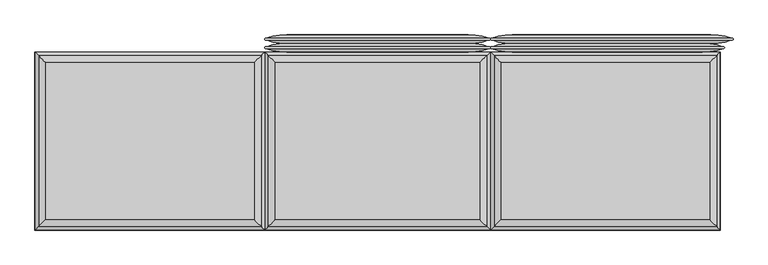
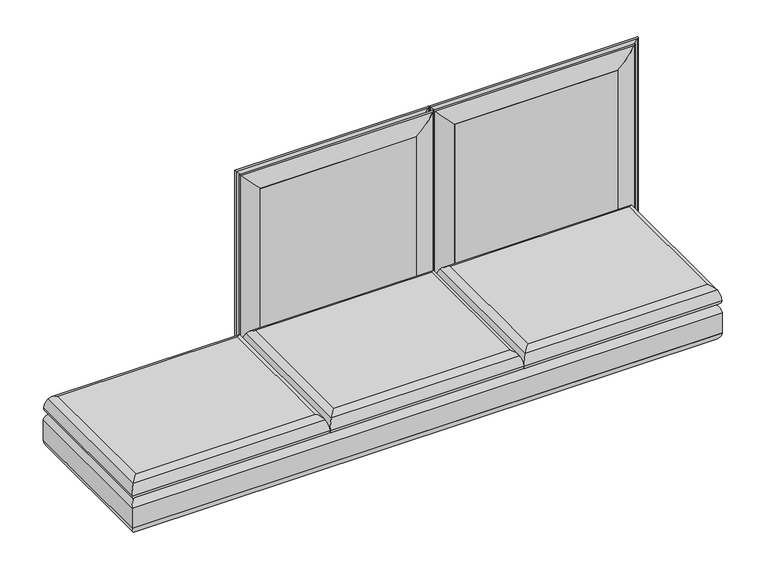
"""IFC4 building model written with IfcOpenShell, lengths in millimetres: furniture geometry."""

from ifc_helpers import new_model, si_unit, frame, origin, place, context, project, spatial, polyline, ellipse_curve, outline, extrude, source, transform, mapped, element, save
from ifc_brep_helpers import plane_surface, cylinder_surface, advanced_brep


def furniture_0c3e7efb(model_context):
    return source(origin(), model_context, "Body", "SolidModel", [
        advanced_brep(
        [(1504.95, -403.225, 329.9006118), (1504.95, 352.425, 329.9006118), (-1504.95, 352.425, 329.9006118), (-1504.95, -403.225, 329.9006118), (1504.95, 352.425, 142.5756118), (1504.95, -403.225, 142.5756118), (-1504.95, -403.225, 142.5756118), (-1504.95, 352.425, 142.5756118), (1523.9861528, 371.4611528, 291.910987), (1523.9861528, -422.2611528, 291.910987), (1524.0, 371.475, 181.4038342), (1524.0, 371.475, 291.0723894), (1524.0, -422.275, 291.0723894), (1524.0, -422.275, 181.4038342), (1523.9861528, 371.4611528, 180.5652366), (1523.9861528, -422.2611528, 180.5652366), (-1523.9861528, -422.2611528, 291.910987), (-1524.0, -422.275, 291.0723894), (-1524.0, -422.275, 181.4038342), (-1523.9861528, -422.2611528, 180.5652366), (-1523.9861528, 371.4611528, 291.910987), (-1524.0, 371.475, 291.0723894), (-1524.0, 371.475, 181.4038342), (-1523.9861528, 371.4611528, 180.5652366)],
        [
            (0, 1),
            (1, 2),
            (2, 3),
            (3, 0),
            (4, 5),
            (5, 6),
            (6, 7),
            (7, 4),
            (8, 1, ellipse_curve(frame((1473.2138472, 320.6888472, 290.2337918), z_axis=(0.7071067811865475, -0.7071067811865475, 0.0), x_axis=(0.7071067811865474, 0.7071067811865476, 0.0)), 71.842049, 50.8)),
            (0, 9, ellipse_curve(frame((1473.2138472, -371.4888472, 290.2337918), z_axis=(0.7071067811865475, 0.7071067811865475, 0.0), x_axis=(-0.7071067811865474, 0.7071067811865476, 0.0)), 71.842049, 50.8)),
            (9, 8),
            (10, 11),
            (11, 12),
            (12, 13),
            (13, 10),
            (4, 14, ellipse_curve(frame((1473.2138472, 320.6888472, 182.2424317), z_axis=(0.7071067811865475, -0.7071067811865475, 0.0), x_axis=(0.7071067811865474, 0.7071067811865476, 0.0)), 71.842049, 50.8)),
            (14, 15),
            (15, 5, ellipse_curve(frame((1473.2138472, -371.4888472, 182.2424317), z_axis=(0.7071067811865475, 0.7071067811865475, 0.0), x_axis=(-0.7071067811865474, 0.7071067811865476, 0.0)), 71.842049, 50.8)),
            (3, 16, ellipse_curve(frame((-1473.2138472, -371.4888472, 290.2337918), z_axis=(0.7071067811865475, -0.7071067811865475, 0.0), x_axis=(0.7071067811865476, 0.7071067811865474, 0.0)), 71.842049, 50.8)),
            (16, 9),
            (12, 17),
            (17, 18),
            (18, 13),
            (15, 19),
            (19, 6, ellipse_curve(frame((-1473.2138472, -371.4888472, 182.2424317), z_axis=(0.7071067811865475, -0.7071067811865475, 0.0), x_axis=(0.7071067811865476, 0.7071067811865474, 0.0)), 71.842049, 50.8)),
            (2, 20, ellipse_curve(frame((-1473.2138472, 320.6888472, 290.2337918), z_axis=(-0.7071067811865475, -0.7071067811865475, 0.0), x_axis=(0.7071067811865474, -0.7071067811865476, 0.0)), 71.842049, 50.8)),
            (20, 16),
            (17, 21),
            (21, 22),
            (22, 18),
            (19, 23),
            (23, 7, ellipse_curve(frame((-1473.2138472, 320.6888472, 182.2424317), z_axis=(-0.7071067811865475, -0.7071067811865475, 0.0), x_axis=(0.7071067811865474, -0.7071067811865476, 0.0)), 71.842049, 50.8)),
            (8, 20),
            (10, 22),
            (21, 11),
            (23, 14),
            (9, 12, ellipse_curve(frame((1498.6, -396.875, 291.0723894), z_axis=(0.7071067811865475, 0.7071067811865475, 0.0), x_axis=(-0.7071067811865474, 0.7071067811865476, 0.0)), 35.9210245, 25.4)),
            (11, 8, ellipse_curve(frame((1498.6, 346.075, 291.0723894), z_axis=(0.7071067811865475, -0.7071067811865475, 0.0), x_axis=(0.7071067811865474, 0.7071067811865476, 0.0)), 35.9210245, 25.4)),
            (13, 15, ellipse_curve(frame((1498.6, -396.875, 181.4038342), z_axis=(0.7071067811865475, 0.7071067811865475, 0.0), x_axis=(-0.7071067811865474, 0.7071067811865476, 0.0)), 35.9210245, 25.4)),
            (14, 10, ellipse_curve(frame((1498.6, 346.075, 181.4038342), z_axis=(0.7071067811865475, -0.7071067811865475, 0.0), x_axis=(0.7071067811865474, 0.7071067811865476, 0.0)), 35.9210245, 25.4)),
            (16, 17, ellipse_curve(frame((-1498.6, -396.875, 291.0723894), z_axis=(0.7071067811865475, -0.7071067811865475, 0.0), x_axis=(0.7071067811865476, 0.7071067811865474, 0.0)), 35.9210245, 25.4)),
            (18, 19, ellipse_curve(frame((-1498.6, -396.875, 181.4038342), z_axis=(0.7071067811865475, -0.7071067811865475, 0.0), x_axis=(0.7071067811865476, 0.7071067811865474, 0.0)), 35.9210245, 25.4)),
            (20, 21, ellipse_curve(frame((-1498.6, 346.075, 291.0723894), z_axis=(-0.7071067811865475, -0.7071067811865475, 0.0), x_axis=(0.7071067811865474, -0.7071067811865476, 0.0)), 35.9210245, 25.4)),
            (22, 23, ellipse_curve(frame((-1498.6, 346.075, 181.4038342), z_axis=(-0.7071067811865475, -0.7071067811865475, 0.0), x_axis=(0.7071067811865474, -0.7071067811865476, 0.0)), 35.9210245, 25.4)),
        ],
        [
            plane_surface(frame((-1504.95, 352.425, 329.9006118), z_axis=(0.0, 0.0, 1.0), x_axis=(-1.0, 0.0, 0.0))),
            plane_surface(frame((-1504.95, 352.425, 142.5756118), z_axis=(0.0, 0.0, -1.0), x_axis=(1.0, 0.0, 0.0))),
            cylinder_surface(frame((1473.2138472, 371.475, 290.2337918), z_axis=(0.0, 1.0, 0.0), x_axis=(1.0, 0.0, 0.0)), 50.8),
            plane_surface(frame((1524.0, 371.475, 291.0723894), z_axis=(1.0, 0.0, 0.0), x_axis=(0.0, -1.0, 0.0))),
            cylinder_surface(frame((1473.2138472, 371.475, 182.2424317), z_axis=(0.0, 1.0, 0.0), x_axis=(1.0, 0.0, 0.0)), 50.8),
            cylinder_surface(frame((1524.0, -371.4888472, 290.2337918), z_axis=(1.0, 0.0, 0.0), x_axis=(0.0, -1.0, 0.0)), 50.8),
            plane_surface(frame((1524.0, -422.275, 291.0723894), z_axis=(0.0, -1.0, 0.0), x_axis=(-1.0, 0.0, 0.0))),
            cylinder_surface(frame((1524.0, -371.4888472, 182.2424317), z_axis=(1.0, 0.0, 0.0), x_axis=(0.0, -1.0, 0.0)), 50.8),
            cylinder_surface(frame((-1473.2138472, -422.275, 290.2337918), z_axis=(0.0, -1.0, 0.0), x_axis=(-1.0, 0.0, 0.0)), 50.8),
            plane_surface(frame((-1524.0, -422.275, 291.0723894), z_axis=(-1.0, 0.0, 0.0), x_axis=(0.0, 1.0, 0.0))),
            cylinder_surface(frame((-1473.2138472, -422.275, 182.2424317), z_axis=(0.0, -1.0, 0.0), x_axis=(-1.0, 0.0, 0.0)), 50.8),
            cylinder_surface(frame((-1524.0, 320.6888472, 290.2337918), z_axis=(-1.0, 0.0, 0.0), x_axis=(0.0, 1.0, 0.0)), 50.8),
            plane_surface(frame((-1524.0, 371.475, 291.0723894), z_axis=(0.0, 1.0, 0.0), x_axis=(1.0, 0.0, 0.0))),
            cylinder_surface(frame((-1524.0, 320.6888472, 182.2424317), z_axis=(-1.0, 0.0, 0.0), x_axis=(0.0, 1.0, 0.0)), 50.8),
            cylinder_surface(frame((1498.6, 371.475, 291.0723894), z_axis=(0.0, 1.0, 0.0), x_axis=(1.0, 0.0, 0.0)), 25.4),
            cylinder_surface(frame((1498.6, 371.475, 181.4038342), z_axis=(0.0, 1.0, 0.0), x_axis=(1.0, 0.0, 0.0)), 25.4),
            cylinder_surface(frame((1524.0, -396.875, 291.0723894), z_axis=(1.0, 0.0, 0.0), x_axis=(0.0, -1.0, 0.0)), 25.4),
            cylinder_surface(frame((1524.0, -396.875, 181.4038342), z_axis=(1.0, 0.0, 0.0), x_axis=(0.0, -1.0, 0.0)), 25.4),
            cylinder_surface(frame((-1498.6, -422.275, 291.0723894), z_axis=(0.0, -1.0, 0.0), x_axis=(-1.0, 0.0, 0.0)), 25.4),
            cylinder_surface(frame((-1498.6, -422.275, 181.4038342), z_axis=(0.0, -1.0, 0.0), x_axis=(-1.0, 0.0, 0.0)), 25.4),
            cylinder_surface(frame((-1524.0, 346.075, 291.0723894), z_axis=(-1.0, 0.0, 0.0), x_axis=(0.0, 1.0, 0.0)), 25.4),
            cylinder_surface(frame((-1524.0, 346.075, 181.4038342), z_axis=(-1.0, 0.0, 0.0), x_axis=(0.0, 1.0, 0.0)), 25.4),
        ],
        [
            (0, [[1, 2, 3, 4]]),
            (1, [[5, 6, 7, 8]]),
            (2, [[9, -1, 10, 11]]),
            (3, [[12, 13, 14, 15]]),
            (4, [[16, 17, 18, -5]]),
            (5, [[-10, -4, 19, 20]]),
            (6, [[-14, 21, 22, 23]]),
            (7, [[-18, 24, 25, -6]]),
            (8, [[-19, -3, 26, 27]]),
            (9, [[-22, 28, 29, 30]]),
            (10, [[-25, 31, 32, -7]]),
            (11, [[-9, 33, -26, -2]]),
            (12, [[-12, 34, -29, 35]]),
            (13, [[-16, -8, -32, 36]]),
            (14, [[-11, 37, -13, 38]]),
            (15, [[-15, 39, -17, 40]]),
            (16, [[-20, 41, -21, -37]]),
            (17, [[-23, 42, -24, -39]]),
            (18, [[-27, 43, -28, -41]]),
            (19, [[-30, 44, -31, -42]]),
            (20, [[-33, -38, -35, -43]]),
            (21, [[-34, -40, -36, -44]]),
        ],
    ),
        advanced_brep(
        [(475.1381705, -395.7631705, 330.2), (-475.1381705, -395.7631705, 330.2), (-475.1381705, 344.9631705, 330.2), (475.1381705, 344.9631705, 330.2), (500.5361903, 370.3611903, 355.9171647), (500.5361903, -421.1611903, 355.9171647), (-500.5361903, -421.1611903, 355.9171647), (-500.5361903, 370.3611903, 355.9171647), (454.025, -374.65, 434.975), (454.025, 323.85, 434.975), (-454.025, 323.85, 434.975), (-454.025, -374.65, 434.975), (485.2816677, 355.1066677, 412.0276231), (485.2816677, -405.9066677, 412.0276231), (-485.2816677, -405.9066677, 412.0276231), (-485.2816677, 355.1066677, 412.0276231)],
        [
            (0, 1),
            (1, 2),
            (2, 3),
            (3, 0),
            (3, 4, ellipse_curve(frame((475.1381705, 344.9631705, 355.6), z_axis=(0.7071067811865478, -0.7071067811865471, 0.0), x_axis=(0.707106781186547, 0.707106781186548, 0.0)), 35.9210245, 25.4)),
            (4, 5),
            (5, 0, ellipse_curve(frame((475.1381705, -395.7631705, 355.6), z_axis=(0.7071067811865471, 0.7071067811865478, 0.0), x_axis=(-0.7071067811865476, 0.7071067811865474, 0.0)), 35.9210245, 25.4)),
            (5, 6),
            (6, 1, ellipse_curve(frame((-475.1381705, -395.7631705, 355.6), z_axis=(0.7071067811865478, -0.7071067811865471, 0.0), x_axis=(0.7071067811865474, 0.7071067811865476, 0.0)), 35.9210245, 25.4)),
            (6, 7),
            (7, 2, ellipse_curve(frame((-475.1381705, 344.9631705, 355.6), z_axis=(-0.7071067811865471, -0.7071067811865478, 0.0), x_axis=(0.7071067811865476, -0.7071067811865474, 0.0)), 35.9210245, 25.4)),
            (7, 4),
            (8, 9),
            (9, 10),
            (10, 11),
            (11, 8),
            (12, 9, ellipse_curve(frame((443.8981381, 313.7231381, 388.4201083), z_axis=(0.7071067811865478, -0.7071067811865471, 0.0), x_axis=(0.707106781186547, 0.707106781186548, 0.0)), 67.3782053, 47.6435859)),
            (8, 13, ellipse_curve(frame((443.8981381, -364.5231381, 388.4201083), z_axis=(0.7071067811865471, 0.7071067811865478, 0.0), x_axis=(-0.7071067811865476, 0.7071067811865474, 0.0)), 67.3782053, 47.6435859)),
            (13, 12),
            (4, 12, ellipse_curve(frame((384.3782966, 254.2032966, 354.4666114), z_axis=(0.7071067811865478, -0.7071067811865471, 0.0), x_axis=(0.707106781186547, 0.707106781186548, 0.0)), 164.2848767, 116.1669504)),
            (13, 5, ellipse_curve(frame((384.3782966, -305.0032966, 354.4666114), z_axis=(0.7071067811865471, 0.7071067811865478, 0.0), x_axis=(-0.7071067811865476, 0.7071067811865474, 0.0)), 164.2848767, 116.1669504)),
            (11, 14, ellipse_curve(frame((-443.8981381, -364.5231381, 388.4201083), z_axis=(0.7071067811865478, -0.7071067811865471, 0.0), x_axis=(0.7071067811865474, 0.7071067811865476, 0.0)), 67.3782053, 47.6435859)),
            (14, 13),
            (14, 6, ellipse_curve(frame((-384.3782966, -305.0032966, 354.4666114), z_axis=(0.7071067811865478, -0.7071067811865471, 0.0), x_axis=(0.7071067811865474, 0.7071067811865476, 0.0)), 164.2848767, 116.1669504)),
            (10, 15, ellipse_curve(frame((-443.8981381, 313.7231381, 388.4201083), z_axis=(-0.7071067811865471, -0.7071067811865478, 0.0), x_axis=(0.7071067811865476, -0.7071067811865474, 0.0)), 67.3782053, 47.6435859)),
            (15, 14),
            (15, 7, ellipse_curve(frame((-384.3782966, 254.2032966, 354.4666114), z_axis=(-0.7071067811865471, -0.7071067811865478, 0.0), x_axis=(0.7071067811865476, -0.7071067811865474, 0.0)), 164.2848767, 116.1669504)),
            (12, 15),
        ],
        [
            plane_surface(frame((-475.1381705, 344.9631705, 330.2), z_axis=(0.0, 0.0, -1.0), x_axis=(1.0, 0.0, 0.0))),
            cylinder_surface(frame((475.1381705, 371.475, 355.6), z_axis=(0.0, 1.0000000000000002, 0.0), x_axis=(1.0000000000000002, 0.0, 0.0)), 25.4),
            cylinder_surface(frame((501.65, -395.7631705, 355.6), z_axis=(1.0000000000000002, 0.0, 0.0), x_axis=(0.0, -1.0000000000000002, 0.0)), 25.4),
            cylinder_surface(frame((-475.1381705, -422.275, 355.6), z_axis=(0.0, -1.0000000000000002, 0.0), x_axis=(-1.0000000000000002, 0.0, 0.0)), 25.4),
            cylinder_surface(frame((-501.65, 344.9631705, 355.6), z_axis=(-1.0000000000000002, 0.0, 0.0), x_axis=(0.0, 1.0000000000000002, 0.0)), 25.4),
            plane_surface(frame((-454.025, 323.85, 434.975), z_axis=(0.0, 0.0, 1.0), x_axis=(-1.0, 0.0, 0.0))),
            cylinder_surface(frame((443.8981381, 371.475, 388.4201083), z_axis=(0.0, 1.0000000000000002, 0.0), x_axis=(1.0000000000000002, 0.0, 0.0)), 47.6435859),
            cylinder_surface(frame((384.3782966, 371.475, 354.4666114), z_axis=(0.0, 1.0000000000000002, 0.0), x_axis=(1.0000000000000002, 0.0, 0.0)), 116.1669504),
            cylinder_surface(frame((501.65, -364.5231381, 388.4201083), z_axis=(1.0000000000000002, 0.0, 0.0), x_axis=(0.0, -1.0000000000000002, 0.0)), 47.6435859),
            cylinder_surface(frame((501.65, -305.0032966, 354.4666114), z_axis=(1.0000000000000002, 0.0, 0.0), x_axis=(0.0, -1.0000000000000002, 0.0)), 116.1669504),
            cylinder_surface(frame((-443.8981381, -422.275, 388.4201083), z_axis=(0.0, -1.0000000000000002, 0.0), x_axis=(-1.0000000000000002, 0.0, 0.0)), 47.6435859),
            cylinder_surface(frame((-384.3782966, -422.275, 354.4666114), z_axis=(0.0, -1.0000000000000002, 0.0), x_axis=(-1.0000000000000002, 0.0, 0.0)), 116.1669504),
            cylinder_surface(frame((-501.65, 313.7231381, 388.4201083), z_axis=(-1.0000000000000002, 0.0, 0.0), x_axis=(0.0, 1.0000000000000002, 0.0)), 47.6435859),
            cylinder_surface(frame((-501.65, 254.2032966, 354.4666114), z_axis=(-1.0000000000000002, 0.0, 0.0), x_axis=(0.0, 1.0000000000000002, 0.0)), 116.1669504),
        ],
        [
            (0, [[1, 2, 3, 4]]),
            (1, [[-4, 5, 6, 7]]),
            (2, [[-1, -7, 8, 9]]),
            (3, [[-2, -9, 10, 11]]),
            (4, [[-3, -11, 12, -5]]),
            (5, [[13, 14, 15, 16]]),
            (6, [[17, -13, 18, 19]]),
            (7, [[-6, 20, -19, 21]]),
            (8, [[-18, -16, 22, 23]]),
            (9, [[-8, -21, -23, 24]]),
            (10, [[-22, -15, 25, 26]]),
            (11, [[-10, -24, -26, 27]]),
            (12, [[-17, 28, -25, -14]]),
            (13, [[-12, -27, -28, -20]]),
        ],
    ),
        advanced_brep(
        [(1497.4881705, -395.7631705, 330.2), (528.1618295, -395.7631705, 330.2), (528.1618295, 344.9631705, 330.2), (1497.4881705, 344.9631705, 330.2), (1522.8861903, 370.3611903, 355.9171647), (1522.8861903, -421.1611903, 355.9171647), (502.7638097, -421.1611903, 355.9171647), (502.7638097, 370.3611903, 355.9171647), (1476.375, -374.65, 434.975), (1476.375, 323.85, 434.975), (549.275, 323.85, 434.975), (549.275, -374.65, 434.975), (1507.6316677, 355.1066677, 412.0276231), (1507.6316677, -405.9066677, 412.0276231), (518.0183323, -405.9066677, 412.0276231), (518.0183323, 355.1066677, 412.0276231)],
        [
            (0, 1),
            (1, 2),
            (2, 3),
            (3, 0),
            (3, 4, ellipse_curve(frame((1497.4881705, 344.9631705, 355.6), z_axis=(0.7071067811865478, -0.7071067811865471, 0.0), x_axis=(0.707106781186547, 0.707106781186548, 0.0)), 35.9210245, 25.4)),
            (4, 5),
            (5, 0, ellipse_curve(frame((1497.4881705, -395.7631705, 355.6), z_axis=(0.7071067811865471, 0.7071067811865478, 0.0), x_axis=(-0.7071067811865476, 0.7071067811865474, 0.0)), 35.9210245, 25.4)),
            (5, 6),
            (6, 1, ellipse_curve(frame((528.1618295, -395.7631705, 355.6), z_axis=(0.7071067811865478, -0.7071067811865471, 0.0), x_axis=(0.7071067811865474, 0.7071067811865476, 0.0)), 35.9210245, 25.4)),
            (6, 7),
            (7, 2, ellipse_curve(frame((528.1618295, 344.9631705, 355.6), z_axis=(-0.7071067811865471, -0.7071067811865478, 0.0), x_axis=(0.7071067811865476, -0.7071067811865474, 0.0)), 35.9210245, 25.4)),
            (7, 4),
            (8, 9),
            (9, 10),
            (10, 11),
            (11, 8),
            (12, 9, ellipse_curve(frame((1466.2481381, 313.7231381, 388.4201083), z_axis=(0.7071067811865478, -0.7071067811865471, 0.0), x_axis=(0.707106781186547, 0.707106781186548, 0.0)), 67.3782053, 47.6435859)),
            (8, 13, ellipse_curve(frame((1466.2481381, -364.5231381, 388.4201083), z_axis=(0.7071067811865471, 0.7071067811865478, 0.0), x_axis=(-0.7071067811865476, 0.7071067811865474, 0.0)), 67.3782053, 47.6435859)),
            (13, 12),
            (4, 12, ellipse_curve(frame((1406.7282966, 254.2032966, 354.4666114), z_axis=(0.7071067811865478, -0.7071067811865471, 0.0), x_axis=(0.707106781186547, 0.707106781186548, 0.0)), 164.2848767, 116.1669504)),
            (13, 5, ellipse_curve(frame((1406.7282966, -305.0032966, 354.4666114), z_axis=(0.7071067811865471, 0.7071067811865478, 0.0), x_axis=(-0.7071067811865476, 0.7071067811865474, 0.0)), 164.2848767, 116.1669504)),
            (11, 14, ellipse_curve(frame((559.4018619, -364.5231381, 388.4201083), z_axis=(0.7071067811865478, -0.7071067811865471, 0.0), x_axis=(0.7071067811865474, 0.7071067811865476, 0.0)), 67.3782053, 47.6435859)),
            (14, 13),
            (14, 6, ellipse_curve(frame((618.9217034, -305.0032966, 354.4666114), z_axis=(0.7071067811865478, -0.7071067811865471, 0.0), x_axis=(0.7071067811865474, 0.7071067811865476, 0.0)), 164.2848767, 116.1669504)),
            (10, 15, ellipse_curve(frame((559.4018619, 313.7231381, 388.4201083), z_axis=(-0.7071067811865471, -0.7071067811865478, 0.0), x_axis=(0.7071067811865476, -0.7071067811865474, 0.0)), 67.3782053, 47.6435859)),
            (15, 14),
            (15, 7, ellipse_curve(frame((618.9217034, 254.2032966, 354.4666114), z_axis=(-0.7071067811865471, -0.7071067811865478, 0.0), x_axis=(0.7071067811865476, -0.7071067811865474, 0.0)), 164.2848767, 116.1669504)),
            (12, 15),
        ],
        [
            plane_surface(frame((528.1618295, 344.9631705, 330.2), z_axis=(0.0, 0.0, -1.0), x_axis=(1.0, 0.0, 0.0))),
            cylinder_surface(frame((1497.4881705, 371.475, 355.6), z_axis=(0.0, 1.0000000000000002, 0.0), x_axis=(1.0000000000000002, 0.0, 0.0)), 25.4),
            cylinder_surface(frame((1524.0, -395.7631705, 355.6), z_axis=(1.0000000000000002, 0.0, 0.0), x_axis=(0.0, -1.0000000000000002, 0.0)), 25.4),
            cylinder_surface(frame((528.1618295, -422.275, 355.6), z_axis=(0.0, -1.0000000000000002, 0.0), x_axis=(-1.0000000000000002, 0.0, 0.0)), 25.4),
            cylinder_surface(frame((501.65, 344.9631705, 355.6), z_axis=(-1.0000000000000002, 0.0, 0.0), x_axis=(0.0, 1.0000000000000002, 0.0)), 25.4),
            plane_surface(frame((549.275, 323.85, 434.975), z_axis=(0.0, 0.0, 1.0), x_axis=(-1.0, 0.0, 0.0))),
            cylinder_surface(frame((1466.2481381, 371.475, 388.4201083), z_axis=(0.0, 1.0000000000000002, 0.0), x_axis=(1.0000000000000002, 0.0, 0.0)), 47.6435859),
            cylinder_surface(frame((1406.7282966, 371.475, 354.4666114), z_axis=(0.0, 1.0000000000000002, 0.0), x_axis=(1.0000000000000002, 0.0, 0.0)), 116.1669504),
            cylinder_surface(frame((1524.0, -364.5231381, 388.4201083), z_axis=(1.0000000000000002, 0.0, 0.0), x_axis=(0.0, -1.0000000000000002, 0.0)), 47.6435859),
            cylinder_surface(frame((1524.0, -305.0032966, 354.4666114), z_axis=(1.0000000000000002, 0.0, 0.0), x_axis=(0.0, -1.0000000000000002, 0.0)), 116.1669504),
            cylinder_surface(frame((559.4018619, -422.275, 388.4201083), z_axis=(0.0, -1.0000000000000002, 0.0), x_axis=(-1.0000000000000002, 0.0, 0.0)), 47.6435859),
            cylinder_surface(frame((618.9217034, -422.275, 354.4666114), z_axis=(0.0, -1.0000000000000002, 0.0), x_axis=(-1.0000000000000002, 0.0, 0.0)), 116.1669504),
            cylinder_surface(frame((501.65, 313.7231381, 388.4201083), z_axis=(-1.0000000000000002, 0.0, 0.0), x_axis=(0.0, 1.0000000000000002, 0.0)), 47.6435859),
            cylinder_surface(frame((501.65, 254.2032966, 354.4666114), z_axis=(-1.0000000000000002, 0.0, 0.0), x_axis=(0.0, 1.0000000000000002, 0.0)), 116.1669504),
        ],
        [
            (0, [[1, 2, 3, 4]]),
            (1, [[-4, 5, 6, 7]]),
            (2, [[-1, -7, 8, 9]]),
            (3, [[-2, -9, 10, 11]]),
            (4, [[-3, -11, 12, -5]]),
            (5, [[13, 14, 15, 16]]),
            (6, [[17, -13, 18, 19]]),
            (7, [[-6, 20, -19, 21]]),
            (8, [[-18, -16, 22, 23]]),
            (9, [[-8, -21, -23, 24]]),
            (10, [[-22, -15, 25, 26]]),
            (11, [[-10, -24, -26, 27]]),
            (12, [[-17, 28, -25, -14]]),
            (13, [[-12, -27, -28, -20]]),
        ],
    ),
        advanced_brep(
        [(-528.1618295, -395.7631705, 330.2), (-1497.4881705, -395.7631705, 330.2), (-1497.4881705, 344.9631705, 330.2), (-528.1618295, 344.9631705, 330.2), (-502.7638097, 370.3611903, 355.9171647), (-502.7638097, -421.1611903, 355.9171647), (-1522.8861903, -421.1611903, 355.9171647), (-1522.8861903, 370.3611903, 355.9171647), (-549.275, -374.65, 434.975), (-549.275, 323.85, 434.975), (-1476.375, 323.85, 434.975), (-1476.375, -374.65, 434.975), (-518.0183323, 355.1066677, 412.0276231), (-518.0183323, -405.9066677, 412.0276231), (-1507.6316677, -405.9066677, 412.0276231), (-1507.6316677, 355.1066677, 412.0276231)],
        [
            (0, 1),
            (1, 2),
            (2, 3),
            (3, 0),
            (3, 4, ellipse_curve(frame((-528.1618295, 344.9631705, 355.6), z_axis=(0.7071067811865478, -0.7071067811865471, 0.0), x_axis=(0.707106781186547, 0.707106781186548, 0.0)), 35.9210245, 25.4)),
            (4, 5),
            (5, 0, ellipse_curve(frame((-528.1618295, -395.7631705, 355.6), z_axis=(0.7071067811865471, 0.7071067811865478, 0.0), x_axis=(-0.7071067811865476, 0.7071067811865474, 0.0)), 35.9210245, 25.4)),
            (5, 6),
            (6, 1, ellipse_curve(frame((-1497.4881705, -395.7631705, 355.6), z_axis=(0.7071067811865478, -0.7071067811865471, 0.0), x_axis=(0.7071067811865474, 0.7071067811865476, 0.0)), 35.9210245, 25.4)),
            (6, 7),
            (7, 2, ellipse_curve(frame((-1497.4881705, 344.9631705, 355.6), z_axis=(-0.7071067811865471, -0.7071067811865478, 0.0), x_axis=(0.7071067811865476, -0.7071067811865474, 0.0)), 35.9210245, 25.4)),
            (7, 4),
            (8, 9),
            (9, 10),
            (10, 11),
            (11, 8),
            (12, 9, ellipse_curve(frame((-559.4018619, 313.7231381, 388.4201083), z_axis=(0.7071067811865478, -0.7071067811865471, 0.0), x_axis=(0.707106781186547, 0.707106781186548, 0.0)), 67.3782053, 47.6435859)),
            (8, 13, ellipse_curve(frame((-559.4018619, -364.5231381, 388.4201083), z_axis=(0.7071067811865471, 0.7071067811865478, 0.0), x_axis=(-0.7071067811865476, 0.7071067811865474, 0.0)), 67.3782053, 47.6435859)),
            (13, 12),
            (4, 12, ellipse_curve(frame((-618.9217034, 254.2032966, 354.4666114), z_axis=(0.7071067811865478, -0.7071067811865471, 0.0), x_axis=(0.707106781186547, 0.707106781186548, 0.0)), 164.2848767, 116.1669504)),
            (13, 5, ellipse_curve(frame((-618.9217034, -305.0032966, 354.4666114), z_axis=(0.7071067811865471, 0.7071067811865478, 0.0), x_axis=(-0.7071067811865476, 0.7071067811865474, 0.0)), 164.2848767, 116.1669504)),
            (11, 14, ellipse_curve(frame((-1466.2481381, -364.5231381, 388.4201083), z_axis=(0.7071067811865478, -0.7071067811865471, 0.0), x_axis=(0.7071067811865474, 0.7071067811865476, 0.0)), 67.3782053, 47.6435859)),
            (14, 13),
            (14, 6, ellipse_curve(frame((-1406.7282966, -305.0032966, 354.4666114), z_axis=(0.7071067811865478, -0.7071067811865471, 0.0), x_axis=(0.7071067811865474, 0.7071067811865476, 0.0)), 164.2848767, 116.1669504)),
            (10, 15, ellipse_curve(frame((-1466.2481381, 313.7231381, 388.4201083), z_axis=(-0.7071067811865471, -0.7071067811865478, 0.0), x_axis=(0.7071067811865476, -0.7071067811865474, 0.0)), 67.3782053, 47.6435859)),
            (15, 14),
            (15, 7, ellipse_curve(frame((-1406.7282966, 254.2032966, 354.4666114), z_axis=(-0.7071067811865471, -0.7071067811865478, 0.0), x_axis=(0.7071067811865476, -0.7071067811865474, 0.0)), 164.2848767, 116.1669504)),
            (12, 15),
        ],
        [
            plane_surface(frame((-1497.4881705, 344.9631705, 330.2), z_axis=(0.0, 0.0, -1.0), x_axis=(1.0, 0.0, 0.0))),
            cylinder_surface(frame((-528.1618295, 371.475, 355.6), z_axis=(0.0, 1.0000000000000002, 0.0), x_axis=(1.0000000000000002, 0.0, 0.0)), 25.4),
            cylinder_surface(frame((-501.65, -395.7631705, 355.6), z_axis=(1.0000000000000002, 0.0, 0.0), x_axis=(0.0, -1.0000000000000002, 0.0)), 25.4),
            cylinder_surface(frame((-1497.4881705, -422.275, 355.6), z_axis=(0.0, -1.0000000000000002, 0.0), x_axis=(-1.0000000000000002, 0.0, 0.0)), 25.4),
            cylinder_surface(frame((-1524.0, 344.9631705, 355.6), z_axis=(-1.0000000000000002, 0.0, 0.0), x_axis=(0.0, 1.0000000000000002, 0.0)), 25.4),
            plane_surface(frame((-1476.375, 323.85, 434.975), z_axis=(0.0, 0.0, 1.0), x_axis=(-1.0, 0.0, 0.0))),
            cylinder_surface(frame((-559.4018619, 371.475, 388.4201083), z_axis=(0.0, 1.0000000000000002, 0.0), x_axis=(1.0000000000000002, 0.0, 0.0)), 47.6435859),
            cylinder_surface(frame((-618.9217034, 371.475, 354.4666114), z_axis=(0.0, 1.0000000000000002, 0.0), x_axis=(1.0000000000000002, 0.0, 0.0)), 116.1669504),
            cylinder_surface(frame((-501.65, -364.5231381, 388.4201083), z_axis=(1.0000000000000002, 0.0, 0.0), x_axis=(0.0, -1.0000000000000002, 0.0)), 47.6435859),
            cylinder_surface(frame((-501.65, -305.0032966, 354.4666114), z_axis=(1.0000000000000002, 0.0, 0.0), x_axis=(0.0, -1.0000000000000002, 0.0)), 116.1669504),
            cylinder_surface(frame((-1466.2481381, -422.275, 388.4201083), z_axis=(0.0, -1.0000000000000002, 0.0), x_axis=(-1.0000000000000002, 0.0, 0.0)), 47.6435859),
            cylinder_surface(frame((-1406.7282966, -422.275, 354.4666114), z_axis=(0.0, -1.0000000000000002, 0.0), x_axis=(-1.0000000000000002, 0.0, 0.0)), 116.1669504),
            cylinder_surface(frame((-1524.0, 313.7231381, 388.4201083), z_axis=(-1.0000000000000002, 0.0, 0.0), x_axis=(0.0, 1.0000000000000002, 0.0)), 47.6435859),
            cylinder_surface(frame((-1524.0, 254.2032966, 354.4666114), z_axis=(-1.0000000000000002, 0.0, 0.0), x_axis=(0.0, 1.0000000000000002, 0.0)), 116.1669504),
        ],
        [
            (0, [[1, 2, 3, 4]]),
            (1, [[-4, 5, 6, 7]]),
            (2, [[-1, -7, 8, 9]]),
            (3, [[-2, -9, 10, 11]]),
            (4, [[-3, -11, 12, -5]]),
            (5, [[13, 14, 15, 16]]),
            (6, [[17, -13, 18, 19]]),
            (7, [[-6, 20, -19, 21]]),
            (8, [[-18, -16, 22, 23]]),
            (9, [[-8, -21, -23, 24]]),
            (10, [[-22, -15, 25, 26]]),
            (11, [[-10, -24, -26, 27]]),
            (12, [[-17, 28, -25, -14]]),
            (13, [[-12, -27, -28, -20]]),
        ],
    ),
        advanced_brep(
        [(-403.225, 410.5220019, 1163.5628297), (-496.3563317, 425.266915, 1256.6941614), (-496.3563317, 425.266915, 145.8277373), (-403.225, 410.5220019, 238.959069), (-403.225, 446.7279981, 1163.5628297), (-403.225, 446.7279981, 238.959069), (-496.3563317, 431.983085, 1256.6941614), (-496.3563317, 431.983085, 145.8277373), (496.3563317, 425.266915, 145.8277373), (403.225, 410.5220019, 238.959069), (403.225, 446.7279981, 238.959069), (496.3563317, 431.983085, 145.8277373), (496.3563317, 425.266915, 1256.6941614), (403.225, 410.5220019, 1163.5628297), (403.225, 446.7279981, 1163.5628297), (496.3563317, 431.983085, 1256.6941614)],
        [
            (0, 1, ellipse_curve(frame((-421.9217286, 593.9193158, 1182.2595584), z_axis=(-0.7071067811865475, 0.0, -0.7071067811865475), x_axis=(-0.7071067811865474, 0.0, 0.7071067811865476)), 260.707278, 184.3478842)),
            (1, 2),
            (2, 3, ellipse_curve(frame((-421.9217286, 593.9193158, 220.2623404), z_axis=(-0.7071067811865475, 0.0, 0.7071067811865475), x_axis=(0.7071067811865474, 0.0, 0.7071067811865476)), 260.707278, 184.3478842)),
            (3, 0),
            (4, 0),
            (3, 5),
            (5, 4),
            (6, 4, ellipse_curve(frame((-421.9217286, 263.3306842, 1182.2595584), z_axis=(-0.7071067811865475, 0.0, -0.7071067811865475), x_axis=(-0.7071067811865474, 0.0, 0.7071067811865476)), 260.707278, 184.3478842)),
            (5, 7, ellipse_curve(frame((-421.9217286, 263.3306842, 220.2623404), z_axis=(-0.7071067811865475, 0.0, 0.7071067811865475), x_axis=(0.7071067811865474, 0.0, 0.7071067811865476)), 260.707278, 184.3478842)),
            (7, 6),
            (1, 6, ellipse_curve(frame((-497.9744455, 428.625, 1258.3122753), z_axis=(-0.7071067811865475, 0.0, -0.7071067811865475), x_axis=(-0.7071067811865474, 0.0, 0.7071067811865476)), 5.2716273, 3.7276034)),
            (7, 2, ellipse_curve(frame((-497.9744455, 428.625, 144.2096235), z_axis=(-0.7071067811865475, 0.0, 0.7071067811865475), x_axis=(0.7071067811865474, 0.0, 0.7071067811865476)), 5.2716273, 3.7276034)),
            (2, 8),
            (8, 9, ellipse_curve(frame((421.9217286, 593.9193158, 220.2623404), z_axis=(-0.7071067811865475, 0.0, -0.7071067811865475), x_axis=(-0.7071067811865476, 0.0, 0.7071067811865474)), 260.707278, 184.3478842)),
            (9, 3),
            (9, 10),
            (10, 5),
            (10, 11, ellipse_curve(frame((421.9217286, 263.3306842, 220.2623404), z_axis=(-0.7071067811865475, 0.0, -0.7071067811865475), x_axis=(-0.7071067811865476, 0.0, 0.7071067811865474)), 260.707278, 184.3478842)),
            (11, 7),
            (11, 8, ellipse_curve(frame((497.9744455, 428.625, 144.2096235), z_axis=(-0.7071067811865475, 0.0, -0.7071067811865475), x_axis=(-0.7071067811865476, 0.0, 0.7071067811865474)), 5.2716273, 3.7276034)),
            (8, 12),
            (12, 13, ellipse_curve(frame((421.9217286, 593.9193158, 1182.2595584), z_axis=(0.7071067811865475, 0.0, -0.7071067811865475), x_axis=(-0.7071067811865474, 0.0, -0.7071067811865476)), 260.707278, 184.3478842)),
            (13, 9),
            (13, 14),
            (14, 10),
            (14, 15, ellipse_curve(frame((421.9217286, 263.3306842, 1182.2595584), z_axis=(0.7071067811865475, 0.0, -0.7071067811865475), x_axis=(-0.7071067811865474, 0.0, -0.7071067811865476)), 260.707278, 184.3478842)),
            (15, 11),
            (15, 12, ellipse_curve(frame((497.9744455, 428.625, 1258.3122753), z_axis=(0.7071067811865475, 0.0, -0.7071067811865475), x_axis=(-0.7071067811865474, 0.0, -0.7071067811865476)), 5.2716273, 3.7276034)),
            (12, 1),
            (0, 13),
            (4, 14),
            (6, 15),
        ],
        [
            cylinder_surface(frame((-421.9217286, 593.9193158, 1163.5628297), z_axis=(0.0, 0.0, 1.0), x_axis=(0.0, -1.0000000000000002, 0.0)), 184.3478842),
            plane_surface(frame((-403.225, 410.5220019, 1163.5628297), z_axis=(1.0, 0.0, 0.0), x_axis=(0.0, 0.0, -1.0))),
            cylinder_surface(frame((-421.9217286, 263.3306842, 1163.5628297), z_axis=(0.0, 0.0, 1.0), x_axis=(0.0, -1.0000000000000002, 0.0)), 184.3478842),
            cylinder_surface(frame((-497.9744455, 428.625, 1163.5628297), z_axis=(0.0, 0.0, 1.0), x_axis=(0.0, -1.0000000000000002, 0.0)), 3.7276034),
            cylinder_surface(frame((-403.225, 593.9193158, 220.2623404), z_axis=(-1.0000000000000002, 0.0, 0.0), x_axis=(0.0, -1.0000000000000002, 0.0)), 184.3478842),
            plane_surface(frame((-403.225, 410.5220019, 238.959069), z_axis=(0.0, 0.0, 1.0), x_axis=(1.0, 0.0, 0.0))),
            cylinder_surface(frame((-403.225, 263.3306842, 220.2623404), z_axis=(-1.0000000000000002, 0.0, 0.0), x_axis=(0.0, -1.0000000000000002, 0.0)), 184.3478842),
            cylinder_surface(frame((-403.225, 428.625, 144.2096235), z_axis=(-1.0000000000000002, 0.0, 0.0), x_axis=(0.0, -1.0000000000000002, 0.0)), 3.7276034),
            cylinder_surface(frame((421.9217286, 593.9193158, 238.959069), z_axis=(0.0, 0.0, -1.0), x_axis=(0.0, -1.0000000000000002, 0.0)), 184.3478842),
            plane_surface(frame((403.225, 410.5220019, 238.959069), z_axis=(-1.0, 0.0, 0.0), x_axis=(0.0, 0.0, 1.0))),
            cylinder_surface(frame((421.9217286, 263.3306842, 238.959069), z_axis=(0.0, 0.0, -1.0), x_axis=(0.0, -1.0000000000000002, 0.0)), 184.3478842),
            cylinder_surface(frame((497.9744455, 428.625, 238.959069), z_axis=(0.0, 0.0, -1.0), x_axis=(0.0, -1.0000000000000002, 0.0)), 3.7276034),
            cylinder_surface(frame((403.225, 593.9193158, 1182.2595584), z_axis=(1.0000000000000002, 0.0, 0.0), x_axis=(0.0, -1.0000000000000002, 0.0)), 184.3478842),
            plane_surface(frame((403.225, 410.5220019, 1163.5628297), z_axis=(0.0, 0.0, -1.0), x_axis=(-1.0, 0.0, 0.0))),
            cylinder_surface(frame((403.225, 263.3306842, 1182.2595584), z_axis=(1.0000000000000002, 0.0, 0.0), x_axis=(0.0, -1.0000000000000002, 0.0)), 184.3478842),
            cylinder_surface(frame((403.225, 428.625, 1258.3122753), z_axis=(1.0000000000000002, 0.0, 0.0), x_axis=(0.0, -1.0000000000000002, 0.0)), 3.7276034),
        ],
        [
            (0, [[1, 2, 3, 4]]),
            (1, [[5, -4, 6, 7]]),
            (2, [[8, -7, 9, 10]]),
            (3, [[11, -10, 12, -2]]),
            (4, [[-3, 13, 14, 15]]),
            (5, [[-6, -15, 16, 17]]),
            (6, [[-9, -17, 18, 19]]),
            (7, [[-12, -19, 20, -13]]),
            (8, [[-14, 21, 22, 23]]),
            (9, [[-16, -23, 24, 25]]),
            (10, [[-18, -25, 26, 27]]),
            (11, [[-20, -27, 28, -21]]),
            (12, [[-22, 29, -1, 30]]),
            (13, [[-24, -30, -5, 31]]),
            (14, [[-26, -31, -8, 32]]),
            (15, [[-28, -32, -11, -29]]),
        ],
    ),
        extrude(outline(polyline([(403.225, 447.675), (403.225, 409.575), (-403.225, 409.575), (-403.225, 447.675), (403.225, 447.675)])), frame((0.0, 0.0, 238.959069), z_axis=(0.0, 0.0, 1.0), x_axis=(1.0, 0.0, 0.0)), (0.0, 0.0, 1.0), 924.6037607),
        advanced_brep(
        [(-403.225, 372.4220019, 1163.5628297), (-496.3563317, 387.166915, 1256.6941614), (-496.3563317, 387.166915, 145.8277373), (-403.225, 372.4220019, 238.959069), (-403.225, 408.6279981, 1163.5628297), (-403.225, 408.6279981, 238.959069), (-496.3563317, 393.883085, 1256.6941614), (-496.3563317, 393.883085, 145.8277373), (496.3563317, 387.166915, 145.8277373), (403.225, 372.4220019, 238.959069), (403.225, 408.6279981, 238.959069), (496.3563317, 393.883085, 145.8277373), (496.3563317, 387.166915, 1256.6941614), (403.225, 372.4220019, 1163.5628297), (403.225, 408.6279981, 1163.5628297), (496.3563317, 393.883085, 1256.6941614)],
        [
            (0, 1, ellipse_curve(frame((-421.9217286, 555.8193158, 1182.2595584), z_axis=(-0.7071067811865475, 0.0, -0.7071067811865475), x_axis=(-0.7071067811865474, 0.0, 0.7071067811865476)), 260.707278, 184.3478842)),
            (1, 2),
            (2, 3, ellipse_curve(frame((-421.9217286, 555.8193158, 220.2623404), z_axis=(-0.7071067811865475, 0.0, 0.7071067811865475), x_axis=(0.7071067811865474, 0.0, 0.7071067811865476)), 260.707278, 184.3478842)),
            (3, 0),
            (4, 0),
            (3, 5),
            (5, 4),
            (6, 4, ellipse_curve(frame((-421.9217286, 225.2306842, 1182.2595584), z_axis=(-0.7071067811865475, 0.0, -0.7071067811865475), x_axis=(-0.7071067811865474, 0.0, 0.7071067811865476)), 260.707278, 184.3478842)),
            (5, 7, ellipse_curve(frame((-421.9217286, 225.2306842, 220.2623404), z_axis=(-0.7071067811865475, 0.0, 0.7071067811865475), x_axis=(0.7071067811865474, 0.0, 0.7071067811865476)), 260.707278, 184.3478842)),
            (7, 6),
            (1, 6, ellipse_curve(frame((-497.9744455, 390.525, 1258.3122753), z_axis=(-0.7071067811865475, 0.0, -0.7071067811865475), x_axis=(-0.7071067811865474, 0.0, 0.7071067811865476)), 5.2716273, 3.7276034)),
            (7, 2, ellipse_curve(frame((-497.9744455, 390.525, 144.2096235), z_axis=(-0.7071067811865475, 0.0, 0.7071067811865475), x_axis=(0.7071067811865474, 0.0, 0.7071067811865476)), 5.2716273, 3.7276034)),
            (2, 8),
            (8, 9, ellipse_curve(frame((421.9217286, 555.8193158, 220.2623404), z_axis=(-0.7071067811865475, 0.0, -0.7071067811865475), x_axis=(-0.7071067811865476, 0.0, 0.7071067811865474)), 260.707278, 184.3478842)),
            (9, 3),
            (9, 10),
            (10, 5),
            (10, 11, ellipse_curve(frame((421.9217286, 225.2306842, 220.2623404), z_axis=(-0.7071067811865475, 0.0, -0.7071067811865475), x_axis=(-0.7071067811865476, 0.0, 0.7071067811865474)), 260.707278, 184.3478842)),
            (11, 7),
            (11, 8, ellipse_curve(frame((497.9744455, 390.525, 144.2096235), z_axis=(-0.7071067811865475, 0.0, -0.7071067811865475), x_axis=(-0.7071067811865476, 0.0, 0.7071067811865474)), 5.2716273, 3.7276034)),
            (8, 12),
            (12, 13, ellipse_curve(frame((421.9217286, 555.8193158, 1182.2595584), z_axis=(0.7071067811865475, 0.0, -0.7071067811865475), x_axis=(-0.7071067811865474, 0.0, -0.7071067811865476)), 260.707278, 184.3478842)),
            (13, 9),
            (13, 14),
            (14, 10),
            (14, 15, ellipse_curve(frame((421.9217286, 225.2306842, 1182.2595584), z_axis=(0.7071067811865475, 0.0, -0.7071067811865475), x_axis=(-0.7071067811865474, 0.0, -0.7071067811865476)), 260.707278, 184.3478842)),
            (15, 11),
            (15, 12, ellipse_curve(frame((497.9744455, 390.525, 1258.3122753), z_axis=(0.7071067811865475, 0.0, -0.7071067811865475), x_axis=(-0.7071067811865474, 0.0, -0.7071067811865476)), 5.2716273, 3.7276034)),
            (12, 1),
            (0, 13),
            (4, 14),
            (6, 15),
        ],
        [
            cylinder_surface(frame((-421.9217286, 555.8193158, 1163.5628297), z_axis=(0.0, 0.0, 1.0), x_axis=(0.0, -1.0000000000000002, 0.0)), 184.3478842),
            plane_surface(frame((-403.225, 372.4220019, 1163.5628297), z_axis=(1.0, 0.0, 0.0), x_axis=(0.0, 0.0, -1.0))),
            cylinder_surface(frame((-421.9217286, 225.2306842, 1163.5628297), z_axis=(0.0, 0.0, 1.0), x_axis=(0.0, -1.0000000000000002, 0.0)), 184.3478842),
            cylinder_surface(frame((-497.9744455, 390.525, 1163.5628297), z_axis=(0.0, 0.0, 1.0), x_axis=(0.0, -1.0000000000000002, 0.0)), 3.7276034),
            cylinder_surface(frame((-403.225, 555.8193158, 220.2623404), z_axis=(-1.0000000000000002, 0.0, 0.0), x_axis=(0.0, -1.0000000000000002, 0.0)), 184.3478842),
            plane_surface(frame((-403.225, 372.4220019, 238.959069), z_axis=(0.0, 0.0, 1.0), x_axis=(1.0, 0.0, 0.0))),
            cylinder_surface(frame((-403.225, 225.2306842, 220.2623404), z_axis=(-1.0000000000000002, 0.0, 0.0), x_axis=(0.0, -1.0000000000000002, 0.0)), 184.3478842),
            cylinder_surface(frame((-403.225, 390.525, 144.2096235), z_axis=(-1.0000000000000002, 0.0, 0.0), x_axis=(0.0, -1.0000000000000002, 0.0)), 3.7276034),
            cylinder_surface(frame((421.9217286, 555.8193158, 238.959069), z_axis=(0.0, 0.0, -1.0), x_axis=(0.0, -1.0000000000000002, 0.0)), 184.3478842),
            plane_surface(frame((403.225, 372.4220019, 238.959069), z_axis=(-1.0, 0.0, 0.0), x_axis=(0.0, 0.0, 1.0))),
            cylinder_surface(frame((421.9217286, 225.2306842, 238.959069), z_axis=(0.0, 0.0, -1.0), x_axis=(0.0, -1.0000000000000002, 0.0)), 184.3478842),
            cylinder_surface(frame((497.9744455, 390.525, 238.959069), z_axis=(0.0, 0.0, -1.0), x_axis=(0.0, -1.0000000000000002, 0.0)), 3.7276034),
            cylinder_surface(frame((403.225, 555.8193158, 1182.2595584), z_axis=(1.0000000000000002, 0.0, 0.0), x_axis=(0.0, -1.0000000000000002, 0.0)), 184.3478842),
            plane_surface(frame((403.225, 372.4220019, 1163.5628297), z_axis=(0.0, 0.0, -1.0), x_axis=(-1.0, 0.0, 0.0))),
            cylinder_surface(frame((403.225, 225.2306842, 1182.2595584), z_axis=(1.0000000000000002, 0.0, 0.0), x_axis=(0.0, -1.0000000000000002, 0.0)), 184.3478842),
            cylinder_surface(frame((403.225, 390.525, 1258.3122753), z_axis=(1.0000000000000002, 0.0, 0.0), x_axis=(0.0, -1.0000000000000002, 0.0)), 3.7276034),
        ],
        [
            (0, [[1, 2, 3, 4]]),
            (1, [[5, -4, 6, 7]]),
            (2, [[8, -7, 9, 10]]),
            (3, [[11, -10, 12, -2]]),
            (4, [[-3, 13, 14, 15]]),
            (5, [[-6, -15, 16, 17]]),
            (6, [[-9, -17, 18, 19]]),
            (7, [[-12, -19, 20, -13]]),
            (8, [[-14, 21, 22, 23]]),
            (9, [[-16, -23, 24, 25]]),
            (10, [[-18, -25, 26, 27]]),
            (11, [[-20, -27, 28, -21]]),
            (12, [[-22, 29, -1, 30]]),
            (13, [[-24, -30, -5, 31]]),
            (14, [[-26, -31, -8, 32]]),
            (15, [[-28, -32, -11, -29]]),
        ],
    ),
        extrude(outline(polyline([(403.225, 409.575), (403.225, 371.475), (-403.225, 371.475), (-403.225, 409.575), (403.225, 409.575)])), frame((0.0, 0.0, 238.959069), z_axis=(0.0, 0.0, 1.0), x_axis=(1.0, 0.0, 0.0)), (0.0, 0.0, 1.0), 924.6037607),
        advanced_brep(
        [(600.075, 410.5220019, 1163.5628297), (506.9436683, 425.266915, 1256.6941614), (506.9436683, 425.266915, 145.8277373), (600.075, 410.5220019, 238.959069), (600.075, 446.7279981, 1163.5628297), (600.075, 446.7279981, 238.959069), (506.9436683, 431.983085, 1256.6941614), (506.9436683, 431.983085, 145.8277373), (1575.8563317, 425.266915, 145.8277373), (1482.725, 410.5220019, 238.959069), (1482.725, 446.7279981, 238.959069), (1575.8563317, 431.983085, 145.8277373), (1575.8563317, 425.266915, 1256.6941614), (1482.725, 410.5220019, 1163.5628297), (1482.725, 446.7279981, 1163.5628297), (1575.8563317, 431.983085, 1256.6941614)],
        [
            (0, 1, ellipse_curve(frame((581.3782714, 593.9193158, 1182.2595584), z_axis=(-0.7071067811865475, 0.0, -0.7071067811865475), x_axis=(-0.7071067811865474, 0.0, 0.7071067811865476)), 260.707278, 184.3478842)),
            (1, 2),
            (2, 3, ellipse_curve(frame((581.3782714, 593.9193158, 220.2623404), z_axis=(-0.7071067811865475, 0.0, 0.7071067811865475), x_axis=(0.7071067811865474, 0.0, 0.7071067811865476)), 260.707278, 184.3478842)),
            (3, 0),
            (4, 0),
            (3, 5),
            (5, 4),
            (6, 4, ellipse_curve(frame((581.3782714, 263.3306842, 1182.2595584), z_axis=(-0.7071067811865475, 0.0, -0.7071067811865475), x_axis=(-0.7071067811865474, 0.0, 0.7071067811865476)), 260.707278, 184.3478842)),
            (5, 7, ellipse_curve(frame((581.3782714, 263.3306842, 220.2623404), z_axis=(-0.7071067811865475, 0.0, 0.7071067811865475), x_axis=(0.7071067811865474, 0.0, 0.7071067811865476)), 260.707278, 184.3478842)),
            (7, 6),
            (1, 6, ellipse_curve(frame((505.3255545, 428.625, 1258.3122753), z_axis=(-0.7071067811865475, 0.0, -0.7071067811865475), x_axis=(-0.7071067811865474, 0.0, 0.7071067811865476)), 5.2716273, 3.7276034)),
            (7, 2, ellipse_curve(frame((505.3255545, 428.625, 144.2096235), z_axis=(-0.7071067811865475, 0.0, 0.7071067811865475), x_axis=(0.7071067811865474, 0.0, 0.7071067811865476)), 5.2716273, 3.7276034)),
            (2, 8),
            (8, 9, ellipse_curve(frame((1501.4217286, 593.9193158, 220.2623404), z_axis=(-0.7071067811865475, 0.0, -0.7071067811865475), x_axis=(-0.7071067811865476, 0.0, 0.7071067811865474)), 260.707278, 184.3478842)),
            (9, 3),
            (9, 10),
            (10, 5),
            (10, 11, ellipse_curve(frame((1501.4217286, 263.3306842, 220.2623404), z_axis=(-0.7071067811865475, 0.0, -0.7071067811865475), x_axis=(-0.7071067811865476, 0.0, 0.7071067811865474)), 260.707278, 184.3478842)),
            (11, 7),
            (11, 8, ellipse_curve(frame((1577.4744455, 428.625, 144.2096235), z_axis=(-0.7071067811865475, 0.0, -0.7071067811865475), x_axis=(-0.7071067811865476, 0.0, 0.7071067811865474)), 5.2716273, 3.7276034)),
            (8, 12),
            (12, 13, ellipse_curve(frame((1501.4217286, 593.9193158, 1182.2595584), z_axis=(0.7071067811865475, 0.0, -0.7071067811865475), x_axis=(-0.7071067811865474, 0.0, -0.7071067811865476)), 260.707278, 184.3478842)),
            (13, 9),
            (13, 14),
            (14, 10),
            (14, 15, ellipse_curve(frame((1501.4217286, 263.3306842, 1182.2595584), z_axis=(0.7071067811865475, 0.0, -0.7071067811865475), x_axis=(-0.7071067811865474, 0.0, -0.7071067811865476)), 260.707278, 184.3478842)),
            (15, 11),
            (15, 12, ellipse_curve(frame((1577.4744455, 428.625, 1258.3122753), z_axis=(0.7071067811865475, 0.0, -0.7071067811865475), x_axis=(-0.7071067811865474, 0.0, -0.7071067811865476)), 5.2716273, 3.7276034)),
            (12, 1),
            (0, 13),
            (4, 14),
            (6, 15),
        ],
        [
            cylinder_surface(frame((581.3782714, 593.9193158, 1163.5628297), z_axis=(0.0, 0.0, 1.0), x_axis=(0.0, -1.0000000000000002, 0.0)), 184.3478842),
            plane_surface(frame((600.075, 410.5220019, 1163.5628297), z_axis=(1.0, 0.0, 0.0), x_axis=(0.0, 0.0, -1.0))),
            cylinder_surface(frame((581.3782714, 263.3306842, 1163.5628297), z_axis=(0.0, 0.0, 1.0), x_axis=(0.0, -1.0000000000000002, 0.0)), 184.3478842),
            cylinder_surface(frame((505.3255545, 428.625, 1163.5628297), z_axis=(0.0, 0.0, 1.0), x_axis=(0.0, -1.0000000000000002, 0.0)), 3.7276034),
            cylinder_surface(frame((600.075, 593.9193158, 220.2623404), z_axis=(-1.0000000000000002, 0.0, 0.0), x_axis=(0.0, -1.0000000000000002, 0.0)), 184.3478842),
            plane_surface(frame((600.075, 410.5220019, 238.959069), z_axis=(0.0, 0.0, 1.0), x_axis=(1.0, 0.0, 0.0))),
            cylinder_surface(frame((600.075, 263.3306842, 220.2623404), z_axis=(-1.0000000000000002, 0.0, 0.0), x_axis=(0.0, -1.0000000000000002, 0.0)), 184.3478842),
            cylinder_surface(frame((600.075, 428.625, 144.2096235), z_axis=(-1.0000000000000002, 0.0, 0.0), x_axis=(0.0, -1.0000000000000002, 0.0)), 3.7276034),
            cylinder_surface(frame((1501.4217286, 593.9193158, 238.959069), z_axis=(0.0, 0.0, -1.0), x_axis=(0.0, -1.0000000000000002, 0.0)), 184.3478842),
            plane_surface(frame((1482.725, 410.5220019, 238.959069), z_axis=(-1.0, 0.0, 0.0), x_axis=(0.0, 0.0, 1.0))),
            cylinder_surface(frame((1501.4217286, 263.3306842, 238.959069), z_axis=(0.0, 0.0, -1.0), x_axis=(0.0, -1.0000000000000002, 0.0)), 184.3478842),
            cylinder_surface(frame((1577.4744455, 428.625, 238.959069), z_axis=(0.0, 0.0, -1.0), x_axis=(0.0, -1.0000000000000002, 0.0)), 3.7276034),
            cylinder_surface(frame((1482.725, 593.9193158, 1182.2595584), z_axis=(1.0000000000000002, 0.0, 0.0), x_axis=(0.0, -1.0000000000000002, 0.0)), 184.3478842),
            plane_surface(frame((1482.725, 410.5220019, 1163.5628297), z_axis=(0.0, 0.0, -1.0), x_axis=(-1.0, 0.0, 0.0))),
            cylinder_surface(frame((1482.725, 263.3306842, 1182.2595584), z_axis=(1.0000000000000002, 0.0, 0.0), x_axis=(0.0, -1.0000000000000002, 0.0)), 184.3478842),
            cylinder_surface(frame((1482.725, 428.625, 1258.3122753), z_axis=(1.0000000000000002, 0.0, 0.0), x_axis=(0.0, -1.0000000000000002, 0.0)), 3.7276034),
        ],
        [
            (0, [[1, 2, 3, 4]]),
            (1, [[5, -4, 6, 7]]),
            (2, [[8, -7, 9, 10]]),
            (3, [[11, -10, 12, -2]]),
            (4, [[-3, 13, 14, 15]]),
            (5, [[-6, -15, 16, 17]]),
            (6, [[-9, -17, 18, 19]]),
            (7, [[-12, -19, 20, -13]]),
            (8, [[-14, 21, 22, 23]]),
            (9, [[-16, -23, 24, 25]]),
            (10, [[-18, -25, 26, 27]]),
            (11, [[-20, -27, 28, -21]]),
            (12, [[-22, 29, -1, 30]]),
            (13, [[-24, -30, -5, 31]]),
            (14, [[-26, -31, -8, 32]]),
            (15, [[-28, -32, -11, -29]]),
        ],
    ),
        extrude(outline(polyline([(1482.725, 447.675), (1482.725, 409.575), (600.075, 409.575), (600.075, 447.675), (1482.725, 447.675)])), frame((0.0, 0.0, 238.959069), z_axis=(0.0, 0.0, 1.0), x_axis=(1.0, 0.0, 0.0)), (0.0, 0.0, 1.0), 924.6037607),
        advanced_brep(
        [(600.075, 372.4220019, 1163.5628297), (506.9436683, 387.166915, 1256.6941614), (506.9436683, 387.166915, 145.8277373), (600.075, 372.4220019, 238.959069), (600.075, 408.6279981, 1163.5628297), (600.075, 408.6279981, 238.959069), (506.9436683, 393.883085, 1256.6941614), (506.9436683, 393.883085, 145.8277373), (1537.7563317, 387.166915, 145.8277373), (1444.625, 372.4220019, 238.959069), (1444.625, 408.6279981, 238.959069), (1537.7563317, 393.883085, 145.8277373), (1537.7563317, 387.166915, 1256.6941614), (1444.625, 372.4220019, 1163.5628297), (1444.625, 408.6279981, 1163.5628297), (1537.7563317, 393.883085, 1256.6941614)],
        [
            (0, 1, ellipse_curve(frame((581.3782714, 555.8193158, 1182.2595584), z_axis=(-0.7071067811865475, 0.0, -0.7071067811865475), x_axis=(-0.7071067811865474, 0.0, 0.7071067811865476)), 260.707278, 184.3478842)),
            (1, 2),
            (2, 3, ellipse_curve(frame((581.3782714, 555.8193158, 220.2623404), z_axis=(-0.7071067811865475, 0.0, 0.7071067811865475), x_axis=(0.7071067811865474, 0.0, 0.7071067811865476)), 260.707278, 184.3478842)),
            (3, 0),
            (4, 0),
            (3, 5),
            (5, 4),
            (6, 4, ellipse_curve(frame((581.3782714, 225.2306842, 1182.2595584), z_axis=(-0.7071067811865475, 0.0, -0.7071067811865475), x_axis=(-0.7071067811865474, 0.0, 0.7071067811865476)), 260.707278, 184.3478842)),
            (5, 7, ellipse_curve(frame((581.3782714, 225.2306842, 220.2623404), z_axis=(-0.7071067811865475, 0.0, 0.7071067811865475), x_axis=(0.7071067811865474, 0.0, 0.7071067811865476)), 260.707278, 184.3478842)),
            (7, 6),
            (1, 6, ellipse_curve(frame((505.3255545, 390.525, 1258.3122753), z_axis=(-0.7071067811865475, 0.0, -0.7071067811865475), x_axis=(-0.7071067811865474, 0.0, 0.7071067811865476)), 5.2716273, 3.7276034)),
            (7, 2, ellipse_curve(frame((505.3255545, 390.525, 144.2096235), z_axis=(-0.7071067811865475, 0.0, 0.7071067811865475), x_axis=(0.7071067811865474, 0.0, 0.7071067811865476)), 5.2716273, 3.7276034)),
            (2, 8),
            (8, 9, ellipse_curve(frame((1463.3217286, 555.8193158, 220.2623404), z_axis=(-0.7071067811865475, 0.0, -0.7071067811865475), x_axis=(-0.7071067811865476, 0.0, 0.7071067811865474)), 260.707278, 184.3478842)),
            (9, 3),
            (9, 10),
            (10, 5),
            (10, 11, ellipse_curve(frame((1463.3217286, 225.2306842, 220.2623404), z_axis=(-0.7071067811865475, 0.0, -0.7071067811865475), x_axis=(-0.7071067811865476, 0.0, 0.7071067811865474)), 260.707278, 184.3478842)),
            (11, 7),
            (11, 8, ellipse_curve(frame((1539.3744455, 390.525, 144.2096235), z_axis=(-0.7071067811865475, 0.0, -0.7071067811865475), x_axis=(-0.7071067811865476, 0.0, 0.7071067811865474)), 5.2716273, 3.7276034)),
            (8, 12),
            (12, 13, ellipse_curve(frame((1463.3217286, 555.8193158, 1182.2595584), z_axis=(0.7071067811865475, 0.0, -0.7071067811865475), x_axis=(-0.7071067811865474, 0.0, -0.7071067811865476)), 260.707278, 184.3478842)),
            (13, 9),
            (13, 14),
            (14, 10),
            (14, 15, ellipse_curve(frame((1463.3217286, 225.2306842, 1182.2595584), z_axis=(0.7071067811865475, 0.0, -0.7071067811865475), x_axis=(-0.7071067811865474, 0.0, -0.7071067811865476)), 260.707278, 184.3478842)),
            (15, 11),
            (15, 12, ellipse_curve(frame((1539.3744455, 390.525, 1258.3122753), z_axis=(0.7071067811865475, 0.0, -0.7071067811865475), x_axis=(-0.7071067811865474, 0.0, -0.7071067811865476)), 5.2716273, 3.7276034)),
            (12, 1),
            (0, 13),
            (4, 14),
            (6, 15),
        ],
        [
            cylinder_surface(frame((581.3782714, 555.8193158, 1163.5628297), z_axis=(0.0, 0.0, 1.0), x_axis=(0.0, -1.0000000000000002, 0.0)), 184.3478842),
            plane_surface(frame((600.075, 372.4220019, 1163.5628297), z_axis=(1.0, 0.0, 0.0), x_axis=(0.0, 0.0, -1.0))),
            cylinder_surface(frame((581.3782714, 225.2306842, 1163.5628297), z_axis=(0.0, 0.0, 1.0), x_axis=(0.0, -1.0000000000000002, 0.0)), 184.3478842),
            cylinder_surface(frame((505.3255545, 390.525, 1163.5628297), z_axis=(0.0, 0.0, 1.0), x_axis=(0.0, -1.0000000000000002, 0.0)), 3.7276034),
            cylinder_surface(frame((600.075, 555.8193158, 220.2623404), z_axis=(-1.0000000000000002, 0.0, 0.0), x_axis=(0.0, -1.0000000000000002, 0.0)), 184.3478842),
            plane_surface(frame((600.075, 372.4220019, 238.959069), z_axis=(0.0, 0.0, 1.0), x_axis=(1.0, 0.0, 0.0))),
            cylinder_surface(frame((600.075, 225.2306842, 220.2623404), z_axis=(-1.0000000000000002, 0.0, 0.0), x_axis=(0.0, -1.0000000000000002, 0.0)), 184.3478842),
            cylinder_surface(frame((600.075, 390.525, 144.2096235), z_axis=(-1.0000000000000002, 0.0, 0.0), x_axis=(0.0, -1.0000000000000002, 0.0)), 3.7276034),
            cylinder_surface(frame((1463.3217286, 555.8193158, 238.959069), z_axis=(0.0, 0.0, -1.0), x_axis=(0.0, -1.0000000000000002, 0.0)), 184.3478842),
            plane_surface(frame((1444.625, 372.4220019, 238.959069), z_axis=(-1.0, 0.0, 0.0), x_axis=(0.0, 0.0, 1.0))),
            cylinder_surface(frame((1463.3217286, 225.2306842, 238.959069), z_axis=(0.0, 0.0, -1.0), x_axis=(0.0, -1.0000000000000002, 0.0)), 184.3478842),
            cylinder_surface(frame((1539.3744455, 390.525, 238.959069), z_axis=(0.0, 0.0, -1.0), x_axis=(0.0, -1.0000000000000002, 0.0)), 3.7276034),
            cylinder_surface(frame((1444.625, 555.8193158, 1182.2595584), z_axis=(1.0000000000000002, 0.0, 0.0), x_axis=(0.0, -1.0000000000000002, 0.0)), 184.3478842),
            plane_surface(frame((1444.625, 372.4220019, 1163.5628297), z_axis=(0.0, 0.0, -1.0), x_axis=(-1.0, 0.0, 0.0))),
            cylinder_surface(frame((1444.625, 225.2306842, 1182.2595584), z_axis=(1.0000000000000002, 0.0, 0.0), x_axis=(0.0, -1.0000000000000002, 0.0)), 184.3478842),
            cylinder_surface(frame((1444.625, 390.525, 1258.3122753), z_axis=(1.0000000000000002, 0.0, 0.0), x_axis=(0.0, -1.0000000000000002, 0.0)), 3.7276034),
        ],
        [
            (0, [[1, 2, 3, 4]]),
            (1, [[5, -4, 6, 7]]),
            (2, [[8, -7, 9, 10]]),
            (3, [[11, -10, 12, -2]]),
            (4, [[-3, 13, 14, 15]]),
            (5, [[-6, -15, 16, 17]]),
            (6, [[-9, -17, 18, 19]]),
            (7, [[-12, -19, 20, -13]]),
            (8, [[-14, 21, 22, 23]]),
            (9, [[-16, -23, 24, 25]]),
            (10, [[-18, -25, 26, 27]]),
            (11, [[-20, -27, 28, -21]]),
            (12, [[-22, 29, -1, 30]]),
            (13, [[-24, -30, -5, 31]]),
            (14, [[-26, -31, -8, 32]]),
            (15, [[-28, -32, -11, -29]]),
        ],
    ),
        extrude(outline(polyline([(1444.625, 409.575), (1444.625, 371.475), (600.075, 371.475), (600.075, 409.575), (1444.625, 409.575)])), frame((0.0, 0.0, 238.959069), z_axis=(0.0, 0.0, 1.0), x_axis=(1.0, 0.0, 0.0)), (0.0, 0.0, 1.0), 924.6037607),
    ])


if __name__ == "__main__":
    model = new_model("IFC4")
    model_context = context("Model", 3, world=origin())
    ifc_project = project(units=[si_unit("LENGTHUNIT", "METRE", prefix="MILLI")], contexts=[model_context])
    site = spatial("IfcSite", under=ifc_project)
    building = spatial("IfcBuilding", under=site)
    placement = place(None, origin())
    furniture_shape = furniture_0c3e7efb(model_context)
    element("IfcFurniture", 1, at=placement, inside=building, context=model_context, shape_type="MappedRepresentation", body=[
        mapped(furniture_shape, transform((0.0, 0.0, 0.0), x_axis=(1.0, 0.0, 0.0), y_axis=(0.0, 1.0, 0.0), z_axis=(0.0, 0.0, 1.0))),
    ])
    save(model, "model.ifc")
